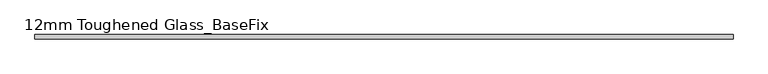
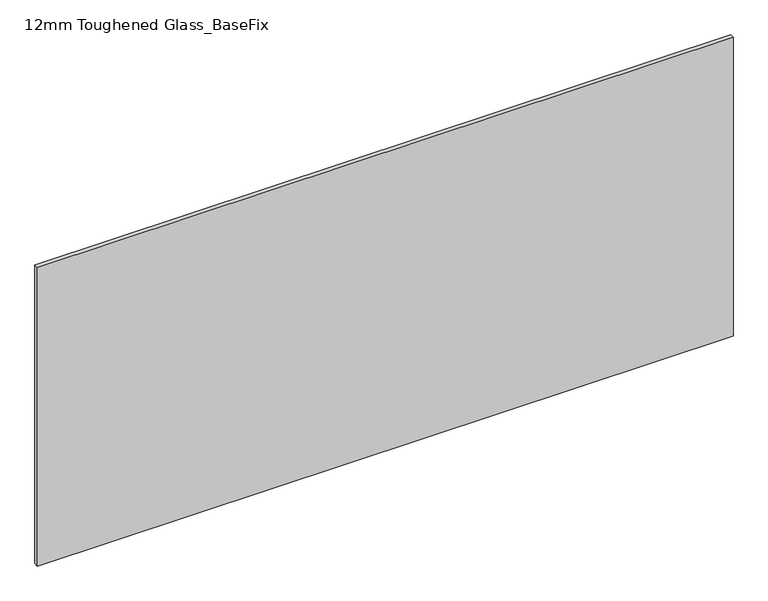
"""IFC4 building model written with IfcOpenShell, lengths in millimetres: plate geometry, 12mm Toughened Glass_BaseFix."""

from ifc_helpers import new_model, si_unit, origin, origin_with_axes, place, context, project, spatial, polyline, outline, extrude, source, transform, mapped, element, save


def plate_12mm_toughened_glass_basefix_f69c67ff(model_context):
    return source(origin(), model_context, "Body", "SweptSolid", [
        extrude(outline(polyline([(945.0000001, 6.0), (945.0000001, -6.0), (-945.0000001, -6.0), (-945.0000001, 6.0), (945.0000001, 6.0)])), origin_with_axes(), (0.0, 0.0, 1.0), 858.0),
    ])


if __name__ == "__main__":
    model = new_model("IFC4")
    model_context = context("Model", 3, world=origin())
    ifc_project = project(units=[si_unit("LENGTHUNIT", "METRE", prefix="MILLI")], contexts=[model_context])
    site = spatial("IfcSite", under=ifc_project)
    building = spatial("IfcBuilding", under=site)
    placement = place(None, origin())
    plate_12mm_toughened_glass_basefix_shape = plate_12mm_toughened_glass_basefix_f69c67ff(model_context)
    element("IfcPlate", 1, ObjectType="12mm Toughened Glass_BaseFix", at=placement, inside=building, context=model_context, shape_type="MappedRepresentation", body=[
        mapped(plate_12mm_toughened_glass_basefix_shape, transform((0.0, 0.0, 0.0), x_axis=(1.0, 0.0, 0.0), y_axis=(0.0, 1.0, 0.0), z_axis=(0.0, 0.0, 1.0))),
    ])
    save(model, "model.ifc")
